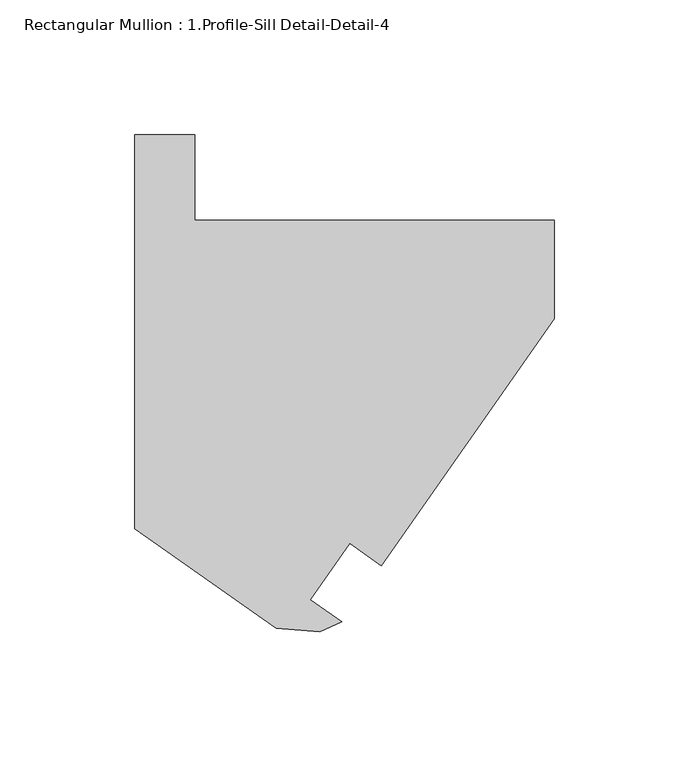
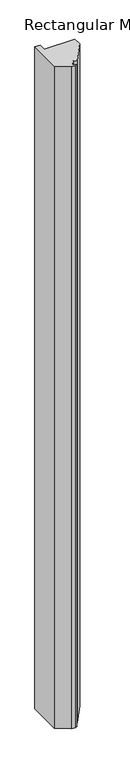
"""IFC4 building model written with IfcOpenShell, lengths in millimetres: member geometry, Rectangular Mullion : 1.Profile-Sill Detail-Detail-4."""

from ifc_helpers import new_model, si_unit, frame, origin, place, context, project, spatial, polyline, outline, extrude, source, transform, mapped, element, save


def rectangular_mullion_1_profile_sill_detail_detail_4_b9a4ee57(model_context):
    return source(origin(), model_context, "Body", "SweptSolid", [
        extrude(outline(polyline([(-0.0025327, 114.4821755), (0.0, 77.9823175), (-64.1457845, -13.6273567), (-75.8486617, -5.4313015), (-90.4194266, -26.2364165), (-78.7138683, -34.4327366), (-86.8497882, -38.2265784), (-103.0092787, -36.8116763), (-155.5695883, -0.0139863), (-155.5797352, 146.2181892), (-133.3547353, 146.2197313), (-133.352533, 114.4821755), (-0.0025327, 114.4821755)])), frame((0.0, 0.0, -3048.0), z_axis=(0.0, 0.0, 1.0), x_axis=(1.0, 0.0, 0.0)), (0.0, 0.0, 1.0), 3048.0),
    ])


if __name__ == "__main__":
    model = new_model("IFC4")
    model_context = context("Model", 3, world=origin())
    ifc_project = project(units=[si_unit("LENGTHUNIT", "METRE", prefix="MILLI")], contexts=[model_context])
    site = spatial("IfcSite", under=ifc_project)
    building = spatial("IfcBuilding", under=site)
    placement = place(None, origin())
    rectangular_mullion_1_profile_sill_detail_detail_4_shape = rectangular_mullion_1_profile_sill_detail_detail_4_b9a4ee57(model_context)
    element("IfcMember", 1, ObjectType="Rectangular Mullion : 1.Profile-Sill Detail-Detail-4", at=placement, inside=building, context=model_context, shape_type="MappedRepresentation", body=[
        mapped(rectangular_mullion_1_profile_sill_detail_detail_4_shape, transform((0.0, 0.0, 0.0), x_axis=(1.0, 0.0, 0.0), y_axis=(0.0, 1.0, 0.0), z_axis=(0.0, 0.0, 1.0))),
    ])
    save(model, "model.ifc")
